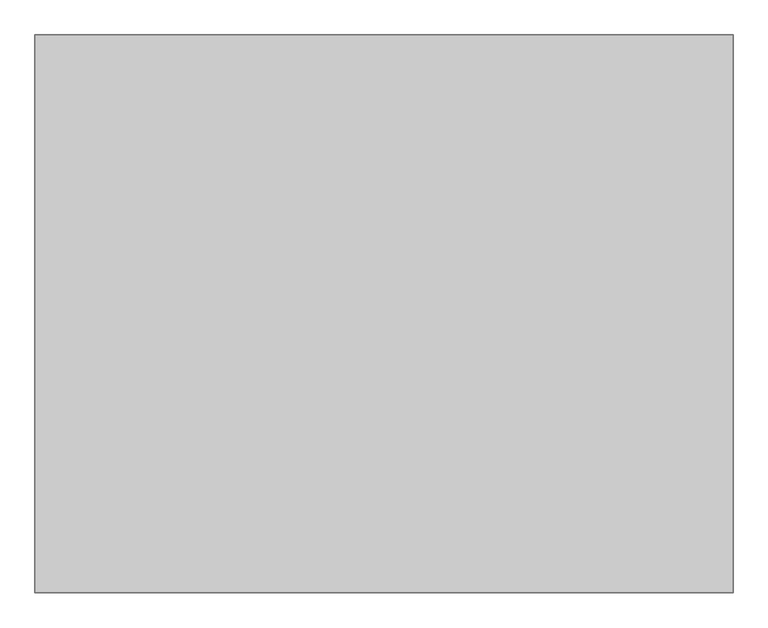
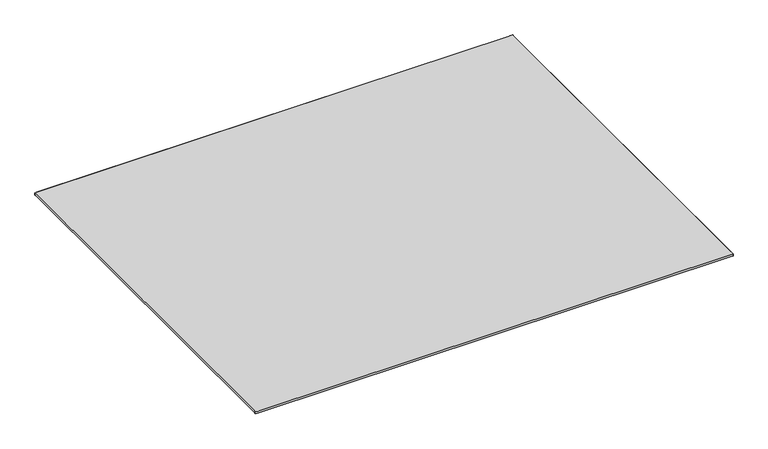
"""IFC4 building model written with IfcOpenShell, lengths in millimetres: furniture geometry."""

import ifcopenshell
import ifcopenshell.guid

model = None  # the IFC model being written
_history = None  # IfcOwnerHistory: only IFC2X3 demands one
_inside = {}  # id of a spatial element -> (the spatial element, [elements in it])
_under = {}  # id of a project, library or spatial element -> (it, [spatial elements below it])
_declared = {}  # id of a project -> (the project, [libraries it declares])
_typed = {}  # id of a type object -> (the type object, [elements of that type])
_made_of = {}  # id of a material, layer set ... -> (it, [elements and type objects made of it])


def new_model(schema):
    """Start an empty IFC model of exactly this schema.

    Asked for "IFC4X3", IfcOpenShell would pick the latest addendum, in which some entities
    have other attributes; the version numbers below select the first issue.
    IFC2X3 requires an IfcOwnerHistory on every rooted entity: one is made here for all.
    """
    global model, _history
    if schema == "IFC4X3":
        model = ifcopenshell.file(schema_version=(4, 3, 0, 0))
    else:
        model = ifcopenshell.file(schema=schema)
    _inside.clear()
    _under.clear()
    _declared.clear()
    _typed.clear()
    _made_of.clear()
    _history = None
    if model.schema == "IFC2X3":
        org = make("IfcOrganization", Name="unknown")
        user = make(
            "IfcPersonAndOrganization",
            ThePerson=make("IfcPerson", FamilyName="unknown"),
            TheOrganization=org,
        )
        app = make(
            "IfcApplication",
            ApplicationDeveloper=org,
            Version="unknown",
            ApplicationFullName="unknown",
            ApplicationIdentifier="unknown",
        )
        _history = make(
            "IfcOwnerHistory",
            OwningUser=user,
            OwningApplication=app,
            ChangeAction="ADDED",
            CreationDate=0,
        )
    return model


def make(cls, **values):
    """One entity of the class cls with the attributes given. An attribute that is None is left unset."""
    return model.create_entity(
        cls, **{name: value for name, value in values.items() if value is not None}
    )


def rooted(cls, **values):
    """An entity with a GlobalId (a new one), such as an element, a storey or a relation."""
    return make(cls, GlobalId=ifcopenshell.guid.new(), OwnerHistory=_history, **values)


def si_unit(unit_type, name, prefix=None):
    """IfcSIUnit, for example si_unit("LENGTHUNIT", "METRE", prefix="MILLI")."""
    return make("IfcSIUnit", UnitType=unit_type, Prefix=prefix, Name=name)


def assignment(units):
    """IfcUnitAssignment: the units of a project."""
    return None if units is None else make("IfcUnitAssignment", Units=units)


def point(xyz):
    """IfcCartesianPoint."""
    return None if xyz is None else make("IfcCartesianPoint", Coordinates=xyz)


def direction(xyz):
    """IfcDirection."""
    return None if xyz is None else make("IfcDirection", DirectionRatios=xyz)


def frame(location, z_axis=None, x_axis=None):
    """IfcAxis2Placement3D, a coordinate frame: its origin and axes. An axis left out is left unset."""
    return make(
        "IfcAxis2Placement3D",
        Location=point(location),
        Axis=direction(z_axis),
        RefDirection=direction(x_axis),
    )


def origin():
    """The frame at (0, 0, 0) with its axes left unset."""
    return frame((0.0, 0.0, 0.0))


def place(relative_to, where):
    """IfcLocalPlacement: puts the frame where relative to a parent placement (None: the world)."""
    return make(
        "IfcLocalPlacement", PlacementRelTo=relative_to, RelativePlacement=where
    )


def context(
    kind, dimensions, precision=None, world=None, true_north=None, identifier=None
):
    """IfcGeometricRepresentationContext, for example the 3D "Model" context."""
    return make(
        "IfcGeometricRepresentationContext",
        ContextIdentifier=identifier,
        ContextType=kind,
        CoordinateSpaceDimension=dimensions,
        Precision=precision,
        WorldCoordinateSystem=world,
        TrueNorth=true_north,
    )


def project(units=None, contexts=None):
    """IfcProject with its units and contexts."""
    return rooted(
        "IfcProject",
        Name="project",
        RepresentationContexts=contexts,
        UnitsInContext=assignment(units),
    )


def spatial(cls, under=None, at=None, **own):
    """A site, building, storey or space (cls), placed at a placement, below another one or the project."""
    s = rooted(cls, ObjectPlacement=at, **own)
    if under is not None:
        _under.setdefault(under.id(), (under, []))[1].append(s)
    return s


def point_list(points):
    """IfcCartesianPointList2D or 3D."""
    cls = (
        "IfcCartesianPointList2D" if len(points[0]) == 2 else "IfcCartesianPointList3D"
    )
    return make(cls, CoordList=points)


def triangles(points, corners, closed=None, point_numbers=None):
    """IfcTriangulatedFaceSet: each triangle names its three corners, points numbered from 1."""
    return make(
        "IfcTriangulatedFaceSet",
        Coordinates=point_list(points),
        Closed=closed,
        CoordIndex=corners,
        PnIndex=point_numbers,
    )


def shape(context_of_items, identifier, shape_type, items):
    """IfcShapeRepresentation: the items that make up one representation, for example the "Body"."""
    return make(
        "IfcShapeRepresentation",
        ContextOfItems=context_of_items,
        RepresentationIdentifier=identifier,
        RepresentationType=shape_type,
        Items=items,
    )


def source(mapping_origin, context_of_items, identifier, shape_type, items):
    """IfcRepresentationMap: a shape defined once, which mapped items show again and again."""
    return make(
        "IfcRepresentationMap",
        MappingOrigin=mapping_origin,
        MappedRepresentation=shape(context_of_items, identifier, shape_type, items),
    )


def transform(
    local_origin,
    x_axis=None,
    y_axis=None,
    z_axis=None,
    scale=None,
    scale2=None,
    scale3=None,
    uniform=True,
):
    """IfcCartesianTransformationOperator3D, or its non-uniform kind. x_axis, y_axis, z_axis: its Axis1, 2, 3."""
    if uniform:
        return make(
            "IfcCartesianTransformationOperator3D",
            Axis1=direction(x_axis),
            Axis2=direction(y_axis),
            LocalOrigin=point(local_origin),
            Scale=scale,
            Axis3=direction(z_axis),
        )
    return make(
        "IfcCartesianTransformationOperator3DnonUniform",
        Axis1=direction(x_axis),
        Axis2=direction(y_axis),
        LocalOrigin=point(local_origin),
        Scale=scale,
        Axis3=direction(z_axis),
        Scale2=scale2,
        Scale3=scale3,
    )


def mapped(mapping_source, mapping_target):
    """IfcMappedItem: shows the shape of a source again, moved by a transform."""
    return make(
        "IfcMappedItem", MappingSource=mapping_source, MappingTarget=mapping_target
    )


def made_of(thing, what):
    """Note that an element or type object is made of a material, layer set ...; save() writes the relation."""
    if what is not None:
        _made_of.setdefault(what.id(), (what, []))[1].append(thing)
    return thing


def element(
    cls,
    number,
    at=None,
    inside=None,
    cuts=None,
    type_object=None,
    material=None,
    context=None,
    identifier="Body",
    shape_type=None,
    held_by="IfcProductDefinitionShape",
    body=None,
    shapes=None,
    **own,
):
    """One element of the class cls, such as IfcWall. Its Tag is "e" and its number.

    at: its placement. inside: the storey or other place that contains it. cuts: it is an
    opening in that element (IfcRelVoidsElement). A single representation is given by context,
    identifier, shape_type and body (its items); several are given by shapes. held_by: the class
    of the entity that holds the representations. save() writes the other relations.
    """
    e = rooted(cls, Tag="e%d" % number, ObjectPlacement=at, **own)
    if body is not None:
        shapes = [shape(context, identifier, shape_type, body)]
    if shapes is not None:
        e.Representation = make(held_by, Representations=shapes)
    if inside is not None:
        _inside.setdefault(inside.id(), (inside, []))[1].append(e)
    if cuts is not None:
        rooted(
            "IfcRelVoidsElement", RelatingBuildingElement=cuts, RelatedOpeningElement=e
        )
    if type_object is not None:
        _typed.setdefault(type_object.id(), (type_object, []))[1].append(e)
    return made_of(e, material)


def aggregate(whole, parts):
    """IfcRelAggregates: a whole, such as a stair, and the parts it consists of."""
    return rooted("IfcRelAggregates", RelatingObject=whole, RelatedObjects=parts)


def save(model, path):
    """Write the relations noted so far, then the file.

    IfcRelAggregates (storeys below a building ...), IfcRelContainedInSpatialStructure (elements
    in a storey), IfcRelDefinesByType, IfcRelAssociatesMaterial and IfcRelDeclares: one each for
    every whole, place, type object, material and project.
    """
    for whole, parts in _under.values():
        aggregate(whole, parts)
    for where, things in _inside.values():
        rooted(
            "IfcRelContainedInSpatialStructure",
            RelatedElements=things,
            RelatingStructure=where,
        )
    for kind, things in _typed.values():
        rooted("IfcRelDefinesByType", RelatedObjects=things, RelatingType=kind)
    for what, things in _made_of.values():
        rooted("IfcRelAssociatesMaterial", RelatedObjects=things, RelatingMaterial=what)
    for by, libraries in _declared.values():
        rooted("IfcRelDeclares", RelatingContext=by, RelatedDefinitions=libraries)
    model.write(path)


def furniture_678e4a7e(model_context):
    return source(origin(), model_context, "Body", "Tessellation", [
        triangles([(-1219.2, 762.0, 2.5400001), (-1219.2, -762.0, 2.5400001), (1219.2, -762.0, 2.5400001), (1219.2, 762.0, 2.5400001)], [[1, 2, 3], [1, 3, 4]], closed=False),
        triangles([(1511.3253376, -1219.2, 14.0720619), (1524.0, -1219.2, 14.0720619), (1524.0, -1198.9612644, 14.0720619), (1511.3253376, -1198.9612644, 14.0720619), (-1524.0, -1219.2, 14.0720619), (-1511.3253376, -1219.2, 14.0720619), (-1511.3253376, -1198.9614098, 14.0720619), (-1524.0, -1198.9614098, 14.0720619), (-1511.3253376, 1219.2, 14.0720619), (-1524.0, 1219.2, 14.0720619), (-1524.0, 1198.9612644, 14.0720619), (-1511.3253376, 1198.9612644, 14.0720619), (1511.3253376, 1198.9614098, 14.0720619), (-1524.0, -1198.9612644, 0.0), (-1524.0, 1198.9614098, 0.0), (1511.3253376, -1219.2, 0.0), (-1511.3253376, -1219.2, 0.0), (1524.0, 1198.9612644, 0.0), (1524.0, 1198.9614098, 14.0720619), (1524.0, -1198.9614098, 0.0), (-1511.3253376, 1219.2, 0.0), (1511.3253376, 1219.2, 14.0720619), (1511.3253376, 1219.2, 0.0), (1524.0, -1219.2, 0.0), (-1524.0, -1219.2, 0.0), (-1524.0, 1219.2, 0.0), (1524.0, 1219.2, 14.0720619), (1524.0, 1219.2, 0.0)], [[1, 2, 3], [3, 4, 1], [5, 6, 7], [7, 8, 5], [9, 10, 11], [11, 12, 9], [13, 12, 7], [7, 4, 13], [14, 8, 11], [11, 15, 14], [16, 1, 6], [6, 17, 16], [18, 19, 3], [3, 20, 18], [21, 9, 22], [22, 23, 21], [19, 13, 4], [4, 3, 19], [8, 7, 12], [12, 11, 8], [24, 2, 1], [1, 16, 24], [5, 25, 17], [17, 6, 5], [26, 10, 9], [9, 21, 26], [27, 28, 23], [23, 22, 27], [22, 9, 12], [12, 13, 22], [6, 1, 4], [4, 7, 6], [25, 5, 8], [8, 14, 25], [10, 26, 15], [15, 11, 10], [28, 27, 19], [19, 18, 28], [2, 24, 20], [20, 3, 2], [27, 22, 13], [13, 19, 27]], closed=False),
    ])


if __name__ == "__main__":
    model = new_model("IFC4")
    model_context = context("Model", 3, world=origin())
    ifc_project = project(units=[si_unit("LENGTHUNIT", "METRE", prefix="MILLI")], contexts=[model_context])
    site = spatial("IfcSite", under=ifc_project)
    building = spatial("IfcBuilding", under=site)
    placement = place(None, origin())
    furniture_shape = furniture_678e4a7e(model_context)
    element("IfcFurniture", 1, at=placement, inside=building, context=model_context, shape_type="MappedRepresentation", body=[
        mapped(furniture_shape, transform((0.0, 0.0, 0.0), x_axis=(1.0, 0.0, 0.0), y_axis=(0.0, 1.0, 0.0), z_axis=(0.0, 0.0, 1.0))),
    ])
    save(model, "model.ifc")
